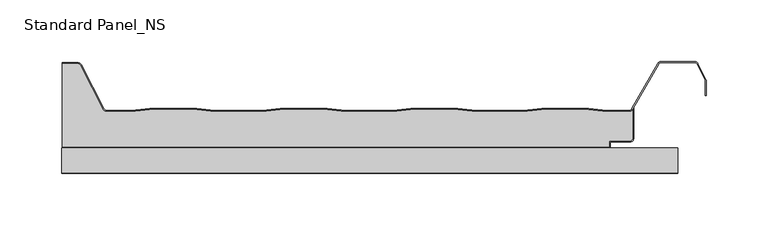
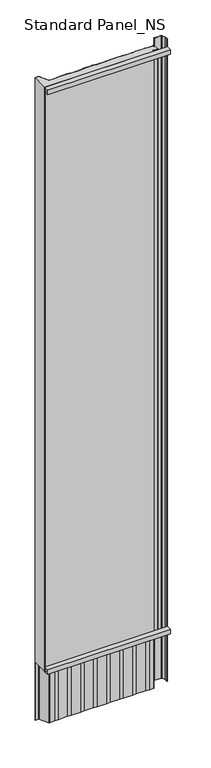
"""IFC4 building model written with IfcOpenShell, lengths in millimetres: proxy geometry, Standard Panel_NS."""

from ifc_helpers import new_model, si_unit, point, frame, frame_2d, origin, origin_with_axes, place, context, project, spatial, polyline, circle_curve, trimmed, segment, composite_curve, outline, extrude, source, transform, mapped, element, save


def standard_panel_ns_79c3d2f7(model_context):
    return source(origin(), model_context, "Body", "SweptSolid", [
        extrude(outline(polyline([(20.0, 0.0), (0.0, 0.0), (0.0, 20.0), (20.0, 20.0), (20.0, 0.0)]), holes=[polyline([(0.9, 19.1), (0.9, 0.9), (19.1, 0.9), (19.1, 19.1), (0.9, 19.1)])]), frame((-249.9999998, 0.0, 0.0), z_axis=(1.0, 0.0, 0.0), x_axis=(0.0, 1.0, 0.0)), (0.0, 0.0, 1.0), 499.9999997),
        extrude(outline(polyline([(20.0, 2512.4689053), (20.0, 2492.4689053), (0.0, 2492.4689053), (0.0, 2512.4689053), (20.0, 2512.4689053)]), holes=[polyline([(0.9, 2511.5689053), (0.9, 2493.3689053), (19.1, 2493.3689053), (19.1, 2511.5689053), (0.9, 2511.5689053)])]), frame((-249.9999998, 0.0, 0.0), z_axis=(1.0, 0.0, 0.0), x_axis=(0.0, 1.0, 0.0)), (0.0, 0.0, 1.0), 499.9999997),
        extrude(outline(composite_curve([segment(trimmed(circle_curve(frame_2d((211.2333676, 27.9776976)), 2.1), [point((213.3333676, 27.9776976))], [point((211.2333676, 25.8776976))], False, "CARTESIAN"), True, "CONTINUOUS"), segment(polyline([(211.2333676, 25.8776976), (194.4044995, 25.8776976), (194.4044995, 20.8776976), (-249.4999998, 20.8776976), (-249.4999998, 88.61), (-236.856809, 88.61)]), True, "CONTINUOUS"), segment(trimmed(circle_curve(frame_2d((-236.856809, 86.41)), 2.2), [point((-236.856809, 88.61))], [point((-234.886672, 87.389061))], False, "CARTESIAN"), True, "CONTINUOUS"), segment(polyline([(-234.886672, 87.389061), (-216.5484349, 51.7067576)]), True, "CONTINUOUS"), segment(trimmed(circle_curve(frame_2d((-213.150958, 53.4088594)), 3.8), [point((-216.5484349, 51.7067576))], [point((-213.150958, 49.6088594))], True, "CARTESIAN"), True, "CONTINUOUS"), segment(polyline([(-213.150958, 49.6088594), (-193.3070694, 49.6088594), (-178.4996096, 51.4), (-140.4767285, 51.4), (-125.6575299, 49.6074394), (-87.3188082, 49.6074394), (-72.4996096, 51.4), (-34.4767285, 51.4), (-19.6433531, 49.6057246), (18.667015, 49.6057246), (33.5003904, 51.4), (71.5232715, 51.4), (86.3708237, 49.6040097), (124.6528382, 49.6040097), (139.5003904, 51.4), (177.5232715, 51.4), (192.3850005, 49.6022949), (210.2255766, 49.6022949)]), True, "CONTINUOUS"), segment(trimmed(circle_curve(frame_2d((210.179188, 53.4020117)), 3.8), [point((210.2255766, 49.6022949))], [point((213.3333676, 51.2827781))], True, "CARTESIAN"), True, "CONTINUOUS"), segment(polyline([(213.3333676, 51.2827781), (213.3333676, 27.9776976)]), True, "CONTINUOUS")], self_intersect=False)), origin_with_axes(), (0.0, 0.0, 1.0), 2512.4689053),
        extrude(outline(composite_curve([segment(trimmed(circle_curve(frame_2d((-236.856809, 86.41)), 3.0), [point((-236.856809, 89.41))], [point((-234.1728576, 87.7503003))], False, "CARTESIAN"), True, "CONTINUOUS"), segment(polyline([(-234.1728576, 87.7503003), (-215.8349094, 52.0685591)]), True, "CONTINUOUS"), segment(trimmed(circle_curve(frame_2d((-213.150958, 53.4088594)), 3.0), [point((-215.8349094, 52.0685591))], [point((-213.150958, 50.4088594))], True, "CARTESIAN"), True, "CONTINUOUS"), segment(polyline([(-213.150958, 50.4088594), (-193.3552785, 50.4088594), (-178.5478187, 52.2), (-140.4285194, 52.2), (-125.6093208, 50.4074394), (-87.3670173, 50.4074394), (-72.5478187, 52.2), (-34.4285194, 52.2), (-19.595144, 50.4057246), (18.6188059, 50.4057246), (33.4521813, 52.2), (71.5714806, 52.2), (86.4190328, 50.4040097), (124.6046291, 50.4040097), (139.4521813, 52.2), (177.5714806, 52.2), (192.4332096, 50.4022949), (210.1379709, 50.4022949)]), True, "CONTINUOUS"), segment(trimmed(circle_curve(frame_2d((210.179188, 53.4020117)), 3.0), [point((210.1379709, 50.4022949))], [point((212.8067154, 51.9542204))], True, "CARTESIAN"), True, "CONTINUOUS"), segment(polyline([(212.8067154, 51.9542204), (233.7091409, 88.8490344)]), True, "CONTINUOUS"), segment(trimmed(circle_curve(frame_2d((236.3366683, 87.401243)), 3.0), [point((233.7091409, 88.8490344))], [point((236.3366683, 90.401243))], False, "CARTESIAN"), True, "CONTINUOUS"), segment(polyline([(236.3366683, 90.401243), (263.6856737, 90.401243)]), True, "CONTINUOUS"), segment(trimmed(circle_curve(frame_2d((263.6856737, 87.401243)), 3.0), [point((263.6856737, 90.401243))], [point((266.3696251, 88.7415434))], False, "CARTESIAN"), True, "CONTINUOUS"), segment(polyline([(266.3696251, 88.7415434), (272.89881, 75.6668507)]), True, "CONTINUOUS"), segment(trimmed(circle_curve(frame_2d((270.2148586, 74.3265504)), 3.0), [point((272.89881, 75.6668507))], [point((273.2148586, 74.3265504))], False, "CARTESIAN"), True, "CONTINUOUS"), segment(polyline([(273.2148586, 74.3265504), (273.2148586, 62.8571101), (272.4148586, 62.8571101), (272.4148586, 74.3265504)]), True, "CONTINUOUS"), segment(trimmed(circle_curve(frame_2d((270.2148586, 74.3265504)), 2.2), [point((272.4148586, 74.3265504))], [point((272.1830896, 75.3094373))], True, "CARTESIAN"), True, "CONTINUOUS"), segment(polyline([(272.1830896, 75.3094373), (265.6539047, 88.3841299)]), True, "CONTINUOUS"), segment(trimmed(circle_curve(frame_2d((263.6856737, 87.401243)), 2.2), [point((265.6539047, 88.3841299))], [point((263.6856737, 89.601243))], True, "CARTESIAN"), True, "CONTINUOUS"), segment(polyline([(263.6856737, 89.601243), (236.3366683, 89.601243)]), True, "CONTINUOUS"), segment(trimmed(circle_curve(frame_2d((236.3366683, 87.401243)), 2.2), [point((236.3366683, 89.601243))], [point((234.4077106, 88.4591287))], True, "CARTESIAN"), True, "CONTINUOUS"), segment(polyline([(234.4077106, 88.4591287), (213.5049667, 51.5637527)]), True, "CONTINUOUS"), segment(trimmed(circle_curve(frame_2d((210.179188, 53.4020117)), 3.8), [point((213.5049667, 51.5637527))], [point((210.1327994, 49.6022949))], False, "CARTESIAN"), True, "CONTINUOUS"), segment(polyline([(210.1327994, 49.6022949), (192.3850005, 49.6022949), (177.5232715, 51.4), (139.5003904, 51.4), (124.6528382, 49.6040097), (86.3708237, 49.6040097), (71.5232715, 51.4), (33.5003904, 51.4), (18.667015, 49.6057246), (-19.6433531, 49.6057246), (-34.4767285, 51.4), (-72.4996096, 51.4), (-87.3188082, 49.6074394), (-125.6575299, 49.6074394), (-140.4767285, 51.4), (-178.4996096, 51.4), (-193.3070694, 49.6088594), (-213.150958, 49.6088594)]), True, "CONTINUOUS"), segment(trimmed(circle_curve(frame_2d((-213.150958, 53.4088594)), 3.8), [point((-213.150958, 49.6088594))], [point((-216.5484349, 51.7067576))], False, "CARTESIAN"), True, "CONTINUOUS"), segment(polyline([(-216.5484349, 51.7067576), (-234.886672, 87.389061)]), True, "CONTINUOUS"), segment(trimmed(circle_curve(frame_2d((-236.856809, 86.41)), 2.2), [point((-234.886672, 87.389061))], [point((-236.856809, 88.61))], True, "CARTESIAN"), True, "CONTINUOUS"), segment(polyline([(-236.856809, 88.61), (-249.4999998, 88.61), (-249.4999998, 89.41), (-236.856809, 89.41)]), True, "CONTINUOUS")], self_intersect=False)), frame((0.0, 0.0, -250.0), z_axis=(0.0, 0.0, 1.0), x_axis=(1.0, 0.0, 0.0)), (0.0, 0.0, 1.0), 2762.4689053),
        extrude(outline(composite_curve([segment(polyline([(194.4044995, 20.9), (194.4044995, 25.9), (211.2333676, 25.9)]), True, "CONTINUOUS"), segment(trimmed(circle_curve(frame_2d((211.2333676, 28.0)), 2.1), [point((211.2333676, 25.9))], [point((213.3333676, 28.0))], True, "CARTESIAN"), True, "CONTINUOUS"), segment(polyline([(213.3333676, 28.0), (213.3333676, 51.2827781), (214.2333676, 52.8494512), (214.2333676, 28.0)]), True, "CONTINUOUS"), segment(trimmed(circle_curve(frame_2d((211.2333676, 28.0)), 3.0), [point((214.2333676, 28.0))], [point((211.2333676, 25.0))], False, "CARTESIAN"), True, "CONTINUOUS"), segment(polyline([(211.2333676, 25.0), (195.3044995, 25.0), (195.3044995, 20.0), (-249.4999998, 20.0), (-249.4999998, 20.9), (194.4044995, 20.9)]), True, "CONTINUOUS")], self_intersect=False)), origin_with_axes(), (0.0, 0.0, 1.0), 2512.4689053),
    ])


if __name__ == "__main__":
    model = new_model("IFC4")
    model_context = context("Model", 3, world=origin())
    ifc_project = project(units=[si_unit("LENGTHUNIT", "METRE", prefix="MILLI")], contexts=[model_context])
    site = spatial("IfcSite", under=ifc_project)
    building = spatial("IfcBuilding", under=site)
    placement = place(None, origin())
    standard_panel_ns_shape = standard_panel_ns_79c3d2f7(model_context)
    element("IfcBuildingElementProxy", 1, Name="Standard Panel_NS", ObjectType="Standard Panel_NS", at=placement, inside=building, context=model_context, shape_type="MappedRepresentation", body=[
        mapped(standard_panel_ns_shape, transform((0.0, 0.0, 0.0), x_axis=(1.0, 0.0, 0.0), y_axis=(0.0, 1.0, 0.0), z_axis=(0.0, 0.0, 1.0))),
    ])
    save(model, "model.ifc")
